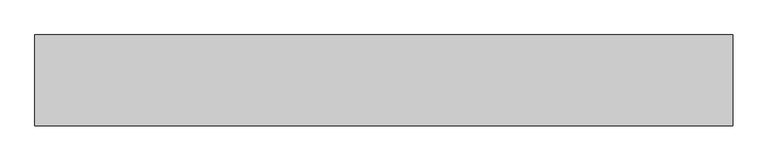
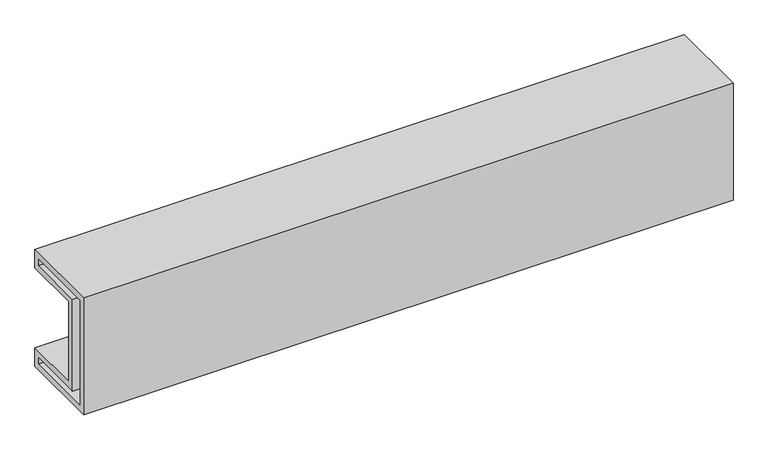
"""IFC4 building model written with IfcOpenShell, lengths in millimetres: proxy geometry."""

from ifc_helpers import new_model, si_unit, frame, origin, place, context, project, spatial, polyline, outline, extrude, source, transform, mapped, element, save


def generic_models_2bf27af9(model_context):
    return source(origin(), model_context, "Body", "SweptSolid", [
        extrude(outline(polyline([(220.0, 190.0), (220.0, 130.0), (40.0, 130.0), (40.0, -130.0), (220.0, -130.0), (220.0, -190.0), (-40.0, -190.0), (-40.0, 190.0), (220.0, 190.0)]), holes=[polyline([(-20.0, -170.0), (200.0, -170.0), (200.0, -150.0), (20.0, -150.0), (20.0, 150.0), (200.0, 150.0), (200.0, 170.0), (-20.0, 170.0), (-20.0, -170.0)])]), frame((-1000.0, 0.0, 0.0), z_axis=(1.0, 0.0, 0.0), x_axis=(0.0, 1.0, 0.0)), (0.0, 0.0, 1.0), 2000.0),
    ])


if __name__ == "__main__":
    model = new_model("IFC4")
    model_context = context("Model", 3, world=origin())
    ifc_project = project(units=[si_unit("LENGTHUNIT", "METRE", prefix="MILLI")], contexts=[model_context])
    site = spatial("IfcSite", under=ifc_project)
    building = spatial("IfcBuilding", under=site)
    placement = place(None, origin())
    generic_models_shape = generic_models_2bf27af9(model_context)
    element("IfcBuildingElementProxy", 1, Name="Generic Models", at=placement, inside=building, context=model_context, shape_type="MappedRepresentation", body=[
        mapped(generic_models_shape, transform((0.0, 0.0, 0.0), x_axis=(1.0, 0.0, 0.0), y_axis=(0.0, 1.0, 0.0), z_axis=(0.0, 0.0, 1.0))),
    ])
    save(model, "model.ifc")
